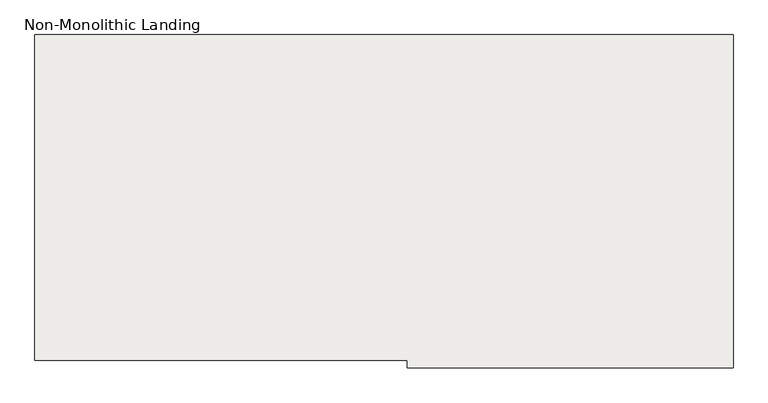
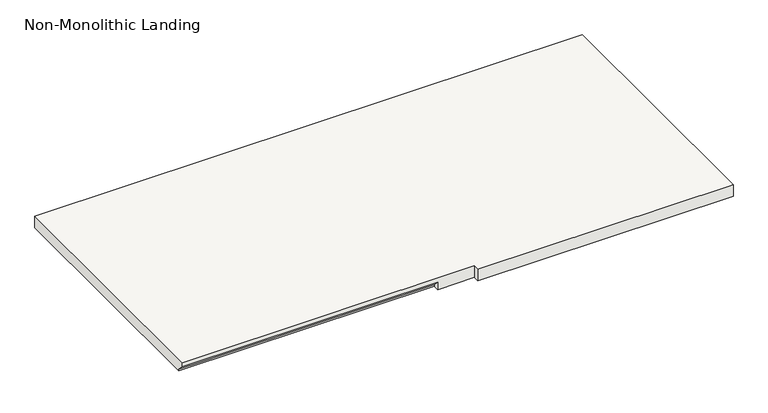
"""IFC4 building model written with IfcOpenShell, lengths in millimetres: slab geometry, Non-Monolithic Landing."""

from ifc_helpers import new_model, si_unit, origin, place, context, project, spatial, faceted_brep, source, transform, mapped, element, save


def non_monolithic_landing_e085d909(model_context):
    return source(origin(), model_context, "Body", "Brep", [
        faceted_brep([(30377.7015552, -4858.1028521, 1416.05), (30377.7015552, -4832.7028521, 1390.65), (31444.5015552, -4832.7028521, 1390.65), (31444.5015552, -4858.1028521, 1416.05), (31596.9015552, -4858.1028521, 1435.1), (31596.9015552, -4883.5028521, 1435.1), (32663.7015552, -4883.5028521, 1435.1), (32663.7015552, -4858.1028521, 1435.1), (32663.7015552, -3791.3028521, 1435.1), (30377.7015552, -3791.3028521, 1435.1), (30377.7015552, -4858.1028521, 1435.1), (31444.5015552, -4832.7028521, 1384.3), (30377.7015552, -4832.7028521, 1384.3), (30377.7015552, -3791.3028521, 1384.3), (32663.7015552, -3791.3028521, 1384.3), (32663.7015552, -4858.1028521, 1384.3), (32663.7015552, -4883.5028521, 1384.3), (31596.9015552, -4883.5028521, 1384.3), (31596.9015552, -4858.1028521, 1384.3), (31444.5015552, -4858.1028521, 1384.3)], [[[0, 1, 2, 3]], [[4, 5, 6, 7, 8, 9, 10]], [[11, 12, 13, 14, 15, 16, 17, 18, 19]], [[12, 11, 2, 1]], [[11, 19, 3, 2]], [[4, 10, 0, 3, 19, 18]], [[5, 4, 18, 17]], [[6, 5, 17, 16]], [[7, 6, 16, 15]], [[8, 7, 15, 14]], [[9, 8, 14, 13]], [[10, 9, 13, 12, 1, 0]]]),
    ])


if __name__ == "__main__":
    model = new_model("IFC4")
    model_context = context("Model", 3, world=origin())
    ifc_project = project(units=[si_unit("LENGTHUNIT", "METRE", prefix="MILLI")], contexts=[model_context])
    site = spatial("IfcSite", under=ifc_project)
    building = spatial("IfcBuilding", under=site)
    placement = place(None, origin())
    non_monolithic_landing_shape = non_monolithic_landing_e085d909(model_context)
    element("IfcSlab", 1, ObjectType="Non-Monolithic Landing", at=placement, inside=building, context=model_context, shape_type="MappedRepresentation", body=[
        mapped(non_monolithic_landing_shape, transform((0.0, 0.0, 0.0), x_axis=(1.0, 0.0, 0.0), y_axis=(0.0, 1.0, 0.0), z_axis=(0.0, 0.0, 1.0))),
    ])
    save(model, "model.ifc")
